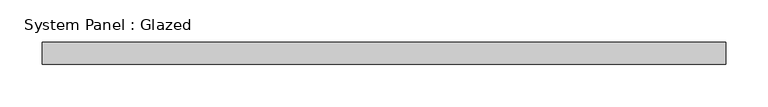
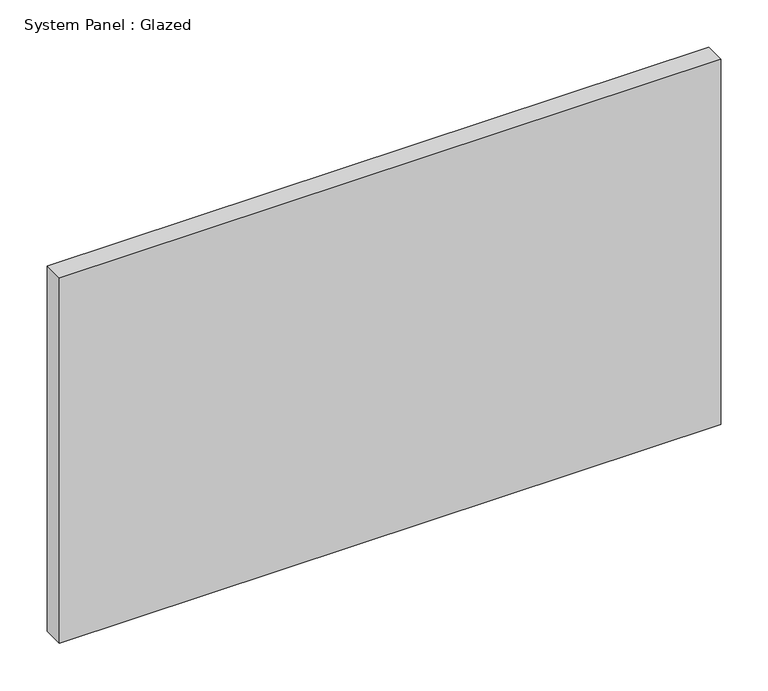
"""IFC4 building model written with IfcOpenShell, lengths in millimetres: plate geometry, System Panel : Glazed."""

from ifc_helpers import new_model, si_unit, origin, origin_with_axes, place, context, project, spatial, polyline, outline, extrude, source, transform, mapped, element, save


def system_panel_glazed_9a520ca4(model_context):
    return source(origin(), model_context, "Body", "SweptSolid", [
        extrude(outline(polyline([(402.2251713, -12.7), (-402.2251713, -12.7), (-402.2251713, 12.7), (402.2251713, 12.7), (402.2251713, -12.7)])), origin_with_axes(), (0.0, 0.0, 1.0), 469.9),
    ])


if __name__ == "__main__":
    model = new_model("IFC4")
    model_context = context("Model", 3, world=origin())
    ifc_project = project(units=[si_unit("LENGTHUNIT", "METRE", prefix="MILLI")], contexts=[model_context])
    site = spatial("IfcSite", under=ifc_project)
    building = spatial("IfcBuilding", under=site)
    placement = place(None, origin())
    system_panel_glazed_shape = system_panel_glazed_9a520ca4(model_context)
    element("IfcPlate", 1, ObjectType="System Panel : Glazed", at=placement, inside=building, context=model_context, shape_type="MappedRepresentation", body=[
        mapped(system_panel_glazed_shape, transform((0.0, 0.0, 0.0), x_axis=(1.0, 0.0, 0.0), y_axis=(0.0, 1.0, 0.0), z_axis=(0.0, 0.0, 1.0))),
    ])
    save(model, "model.ifc")
